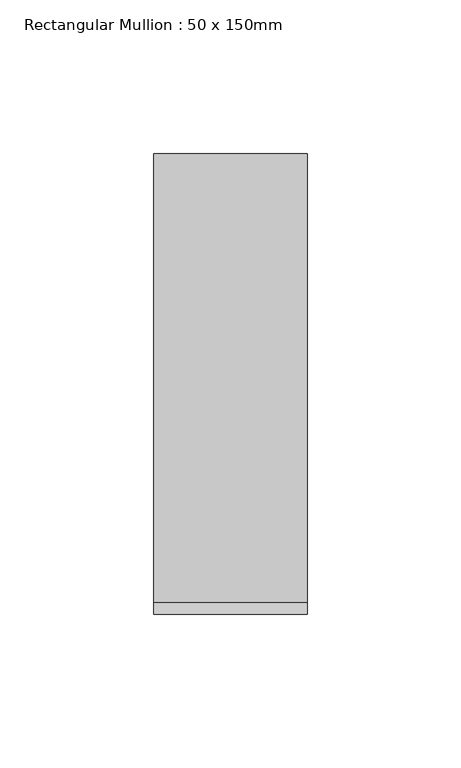
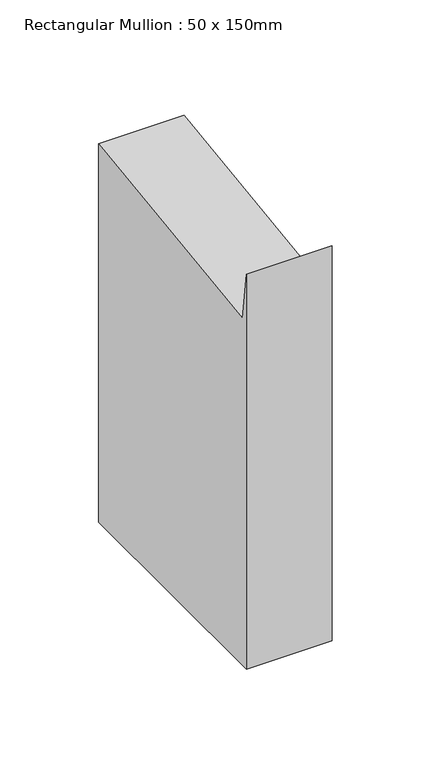
"""IFC4 building model written with IfcOpenShell, lengths in millimetres: member geometry, Rectangular Mullion : 50 x 150mm."""

import ifcopenshell
import ifcopenshell.guid

model = None  # the IFC model being written
_history = None  # IfcOwnerHistory: only IFC2X3 demands one
_inside = {}  # id of a spatial element -> (the spatial element, [elements in it])
_under = {}  # id of a project, library or spatial element -> (it, [spatial elements below it])
_declared = {}  # id of a project -> (the project, [libraries it declares])
_typed = {}  # id of a type object -> (the type object, [elements of that type])
_made_of = {}  # id of a material, layer set ... -> (it, [elements and type objects made of it])


def new_model(schema):
    """Start an empty IFC model of exactly this schema.

    Asked for "IFC4X3", IfcOpenShell would pick the latest addendum, in which some entities
    have other attributes; the version numbers below select the first issue.
    IFC2X3 requires an IfcOwnerHistory on every rooted entity: one is made here for all.
    """
    global model, _history
    if schema == "IFC4X3":
        model = ifcopenshell.file(schema_version=(4, 3, 0, 0))
    else:
        model = ifcopenshell.file(schema=schema)
    _inside.clear()
    _under.clear()
    _declared.clear()
    _typed.clear()
    _made_of.clear()
    _history = None
    if model.schema == "IFC2X3":
        org = make("IfcOrganization", Name="unknown")
        user = make(
            "IfcPersonAndOrganization",
            ThePerson=make("IfcPerson", FamilyName="unknown"),
            TheOrganization=org,
        )
        app = make(
            "IfcApplication",
            ApplicationDeveloper=org,
            Version="unknown",
            ApplicationFullName="unknown",
            ApplicationIdentifier="unknown",
        )
        _history = make(
            "IfcOwnerHistory",
            OwningUser=user,
            OwningApplication=app,
            ChangeAction="ADDED",
            CreationDate=0,
        )
    return model


def make(cls, **values):
    """One entity of the class cls with the attributes given. An attribute that is None is left unset."""
    return model.create_entity(
        cls, **{name: value for name, value in values.items() if value is not None}
    )


def rooted(cls, **values):
    """An entity with a GlobalId (a new one), such as an element, a storey or a relation."""
    return make(cls, GlobalId=ifcopenshell.guid.new(), OwnerHistory=_history, **values)


def si_unit(unit_type, name, prefix=None):
    """IfcSIUnit, for example si_unit("LENGTHUNIT", "METRE", prefix="MILLI")."""
    return make("IfcSIUnit", UnitType=unit_type, Prefix=prefix, Name=name)


def assignment(units):
    """IfcUnitAssignment: the units of a project."""
    return None if units is None else make("IfcUnitAssignment", Units=units)


def point(xyz):
    """IfcCartesianPoint."""
    return None if xyz is None else make("IfcCartesianPoint", Coordinates=xyz)


def direction(xyz):
    """IfcDirection."""
    return None if xyz is None else make("IfcDirection", DirectionRatios=xyz)


def frame(location, z_axis=None, x_axis=None):
    """IfcAxis2Placement3D, a coordinate frame: its origin and axes. An axis left out is left unset."""
    return make(
        "IfcAxis2Placement3D",
        Location=point(location),
        Axis=direction(z_axis),
        RefDirection=direction(x_axis),
    )


def origin():
    """The frame at (0, 0, 0) with its axes left unset."""
    return frame((0.0, 0.0, 0.0))


def place(relative_to, where):
    """IfcLocalPlacement: puts the frame where relative to a parent placement (None: the world)."""
    return make(
        "IfcLocalPlacement", PlacementRelTo=relative_to, RelativePlacement=where
    )


def context(
    kind, dimensions, precision=None, world=None, true_north=None, identifier=None
):
    """IfcGeometricRepresentationContext, for example the 3D "Model" context."""
    return make(
        "IfcGeometricRepresentationContext",
        ContextIdentifier=identifier,
        ContextType=kind,
        CoordinateSpaceDimension=dimensions,
        Precision=precision,
        WorldCoordinateSystem=world,
        TrueNorth=true_north,
    )


def project(units=None, contexts=None):
    """IfcProject with its units and contexts."""
    return rooted(
        "IfcProject",
        Name="project",
        RepresentationContexts=contexts,
        UnitsInContext=assignment(units),
    )


def spatial(cls, under=None, at=None, **own):
    """A site, building, storey or space (cls), placed at a placement, below another one or the project."""
    s = rooted(cls, ObjectPlacement=at, **own)
    if under is not None:
        _under.setdefault(under.id(), (under, []))[1].append(s)
    return s


def polyline(points):
    """IfcPolyline through the points."""
    return make("IfcPolyline", Points=[point(p) for p in points])


def outline(outer, holes=None, kind="AREA"):
    """IfcArbitraryClosedProfileDef: a profile drawn as a closed curve; with holes, ...WithVoids."""
    if holes is None:
        return make("IfcArbitraryClosedProfileDef", ProfileType=kind, OuterCurve=outer)
    return make(
        "IfcArbitraryProfileDefWithVoids",
        ProfileType=kind,
        OuterCurve=outer,
        InnerCurves=holes,
    )


def extrude(swept, where, along, depth):
    """IfcExtrudedAreaSolid: the profile swept, set in the frame where, extruded along a direction by depth."""
    return make(
        "IfcExtrudedAreaSolid",
        SweptArea=swept,
        Position=where,
        ExtrudedDirection=direction(along),
        Depth=depth,
    )


def shape(context_of_items, identifier, shape_type, items):
    """IfcShapeRepresentation: the items that make up one representation, for example the "Body"."""
    return make(
        "IfcShapeRepresentation",
        ContextOfItems=context_of_items,
        RepresentationIdentifier=identifier,
        RepresentationType=shape_type,
        Items=items,
    )


def source(mapping_origin, context_of_items, identifier, shape_type, items):
    """IfcRepresentationMap: a shape defined once, which mapped items show again and again."""
    return make(
        "IfcRepresentationMap",
        MappingOrigin=mapping_origin,
        MappedRepresentation=shape(context_of_items, identifier, shape_type, items),
    )


def transform(
    local_origin,
    x_axis=None,
    y_axis=None,
    z_axis=None,
    scale=None,
    scale2=None,
    scale3=None,
    uniform=True,
):
    """IfcCartesianTransformationOperator3D, or its non-uniform kind. x_axis, y_axis, z_axis: its Axis1, 2, 3."""
    if uniform:
        return make(
            "IfcCartesianTransformationOperator3D",
            Axis1=direction(x_axis),
            Axis2=direction(y_axis),
            LocalOrigin=point(local_origin),
            Scale=scale,
            Axis3=direction(z_axis),
        )
    return make(
        "IfcCartesianTransformationOperator3DnonUniform",
        Axis1=direction(x_axis),
        Axis2=direction(y_axis),
        LocalOrigin=point(local_origin),
        Scale=scale,
        Axis3=direction(z_axis),
        Scale2=scale2,
        Scale3=scale3,
    )


def mapped(mapping_source, mapping_target):
    """IfcMappedItem: shows the shape of a source again, moved by a transform."""
    return make(
        "IfcMappedItem", MappingSource=mapping_source, MappingTarget=mapping_target
    )


def made_of(thing, what):
    """Note that an element or type object is made of a material, layer set ...; save() writes the relation."""
    if what is not None:
        _made_of.setdefault(what.id(), (what, []))[1].append(thing)
    return thing


def element(
    cls,
    number,
    at=None,
    inside=None,
    cuts=None,
    type_object=None,
    material=None,
    context=None,
    identifier="Body",
    shape_type=None,
    held_by="IfcProductDefinitionShape",
    body=None,
    shapes=None,
    **own,
):
    """One element of the class cls, such as IfcWall. Its Tag is "e" and its number.

    at: its placement. inside: the storey or other place that contains it. cuts: it is an
    opening in that element (IfcRelVoidsElement). A single representation is given by context,
    identifier, shape_type and body (its items); several are given by shapes. held_by: the class
    of the entity that holds the representations. save() writes the other relations.
    """
    e = rooted(cls, Tag="e%d" % number, ObjectPlacement=at, **own)
    if body is not None:
        shapes = [shape(context, identifier, shape_type, body)]
    if shapes is not None:
        e.Representation = make(held_by, Representations=shapes)
    if inside is not None:
        _inside.setdefault(inside.id(), (inside, []))[1].append(e)
    if cuts is not None:
        rooted(
            "IfcRelVoidsElement", RelatingBuildingElement=cuts, RelatedOpeningElement=e
        )
    if type_object is not None:
        _typed.setdefault(type_object.id(), (type_object, []))[1].append(e)
    return made_of(e, material)


def aggregate(whole, parts):
    """IfcRelAggregates: a whole, such as a stair, and the parts it consists of."""
    return rooted("IfcRelAggregates", RelatingObject=whole, RelatedObjects=parts)


def save(model, path):
    """Write the relations noted so far, then the file.

    IfcRelAggregates (storeys below a building ...), IfcRelContainedInSpatialStructure (elements
    in a storey), IfcRelDefinesByType, IfcRelAssociatesMaterial and IfcRelDeclares: one each for
    every whole, place, type object, material and project.
    """
    for whole, parts in _under.values():
        aggregate(whole, parts)
    for where, things in _inside.values():
        rooted(
            "IfcRelContainedInSpatialStructure",
            RelatedElements=things,
            RelatingStructure=where,
        )
    for kind, things in _typed.values():
        rooted("IfcRelDefinesByType", RelatedObjects=things, RelatingType=kind)
    for what, things in _made_of.values():
        rooted("IfcRelAssociatesMaterial", RelatedObjects=things, RelatingMaterial=what)
    for by, libraries in _declared.values():
        rooted("IfcRelDeclares", RelatingContext=by, RelatedDefinitions=libraries)
    model.write(path)


def rectangular_mullion_50_x_150mm_5a8ba253(model_context):
    return source(origin(), model_context, "Body", "SweptSolid", [
        extrude(outline(polyline([(-75.0, 20.0164197), (-71.0328341, -9.7035513), (75.0, 9.7896196), (75.0, -224.1542008), (-75.0, -224.1542008), (-75.0, 20.0164197)])), frame((-50.0, 0.0, 0.0), z_axis=(1.0, 0.0, 0.0), x_axis=(0.0, 1.0, 0.0)), (0.0, 0.0, 1.0), 50.0),
    ])


if __name__ == "__main__":
    model = new_model("IFC4")
    model_context = context("Model", 3, world=origin())
    ifc_project = project(units=[si_unit("LENGTHUNIT", "METRE", prefix="MILLI")], contexts=[model_context])
    site = spatial("IfcSite", under=ifc_project)
    building = spatial("IfcBuilding", under=site)
    placement = place(None, origin())
    rectangular_mullion_50_x_150mm_shape = rectangular_mullion_50_x_150mm_5a8ba253(model_context)
    element("IfcMember", 1, ObjectType="Rectangular Mullion : 50 x 150mm", at=placement, inside=building, context=model_context, shape_type="MappedRepresentation", body=[
        mapped(rectangular_mullion_50_x_150mm_shape, transform((0.0, 0.0, 0.0), x_axis=(1.0, 0.0, 0.0), y_axis=(0.0, 1.0, 0.0), z_axis=(0.0, 0.0, 1.0))),
    ])
    save(model, "model.ifc")
